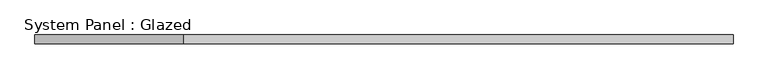
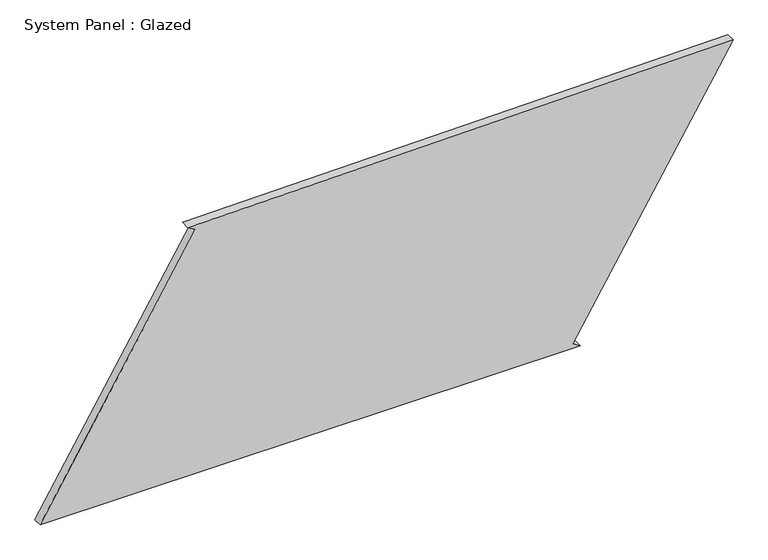
"""IFC4 building model written with IfcOpenShell, lengths in millimetres: plate geometry, System Panel : Glazed."""

from ifc_helpers import new_model, si_unit, frame, origin, place, context, project, spatial, polyline, outline, extrude, source, transform, mapped, element, save


def system_panel_glazed_77da8260(model_context):
    return source(origin(), model_context, "Body", "SweptSolid", [
        extrude(outline(polyline([(0.0, -978.3010813), (0.0, 546.8238034), (12.9375446, 525.4317503), (761.7507906, 978.3010813), (740.7740432, -560.9978471), (727.8685561, -539.5864389), (0.0, -978.3010813)])), frame((0.0, -49.5, 0.0), z_axis=(0.0, 1.0, 0.0), x_axis=(0.0, 0.0, 1.0)), (0.0, 0.0, 1.0), 25.0),
    ])


if __name__ == "__main__":
    model = new_model("IFC4")
    model_context = context("Model", 3, world=origin())
    ifc_project = project(units=[si_unit("LENGTHUNIT", "METRE", prefix="MILLI")], contexts=[model_context])
    site = spatial("IfcSite", under=ifc_project)
    building = spatial("IfcBuilding", under=site)
    placement = place(None, origin())
    system_panel_glazed_shape = system_panel_glazed_77da8260(model_context)
    element("IfcPlate", 1, ObjectType="System Panel : Glazed", at=placement, inside=building, context=model_context, shape_type="MappedRepresentation", body=[
        mapped(system_panel_glazed_shape, transform((0.0, 0.0, 0.0), x_axis=(1.0, 0.0, 0.0), y_axis=(0.0, 1.0, 0.0), z_axis=(0.0, 0.0, 1.0))),
    ])
    save(model, "model.ifc")
